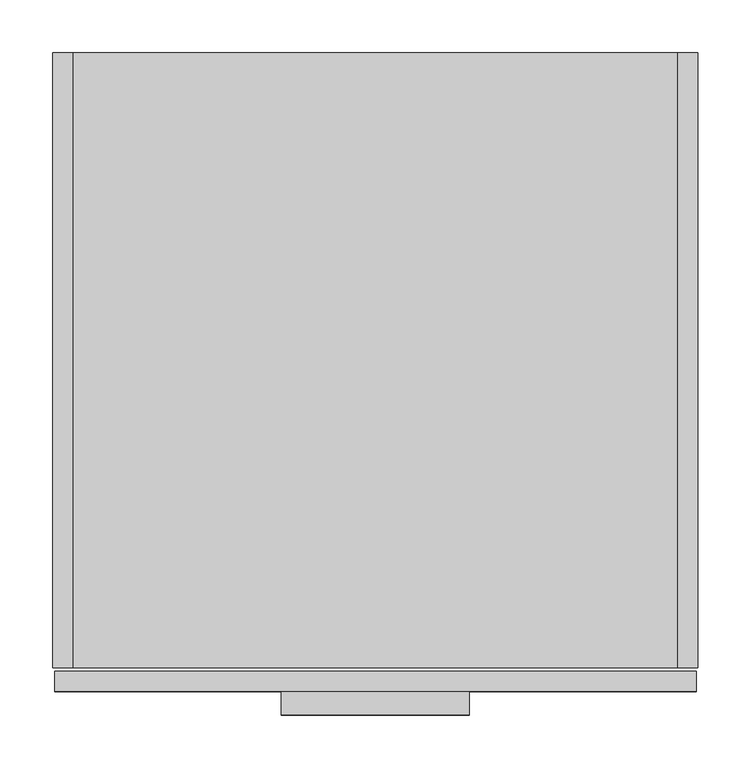
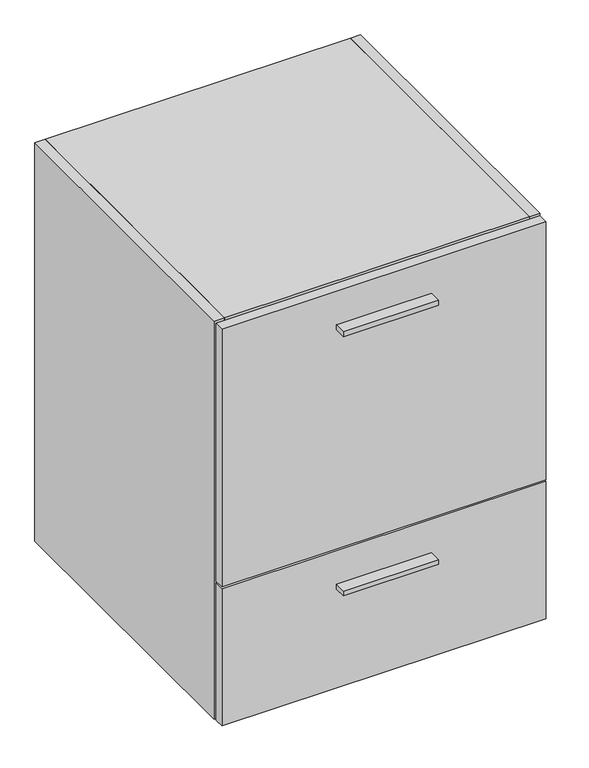
"""IFC4 building model written with IfcOpenShell, lengths in millimetres: furniture geometry."""

from ifc_helpers import new_model, si_unit, frame, origin, place, context, project, spatial, polyline, outline, extrude, source, transform, mapped, element, save


def furniture_1b2f3de9(model_context):
    return source(origin(), model_context, "Body", "SweptSolid", [
        extrude(outline(polyline([(393.7, -625.729), (215.9, -625.729), (215.9, -603.504), (393.7, -603.504), (393.7, -625.729)])), frame((0.0, 0.0, 297.3451), z_axis=(0.0, 0.0, 1.0), x_axis=(1.0, 0.0, 0.0)), (0.0, 0.0, 1.0), 9.525),
        extrude(outline(polyline([(393.7, -625.729), (215.9, -625.729), (215.9, -603.504), (393.7, -603.504), (393.7, -625.729)])), frame((0.0, 0.0, 809.9425), z_axis=(0.0, 0.0, 1.0), x_axis=(1.0, 0.0, 0.0)), (0.0, 0.0, 1.0), 9.525),
        extrude(outline(polyline([(590.296, 0.0), (590.296, -19.304), (19.304, -19.304), (19.304, 0.0), (590.296, 0.0)])), frame((0.0, 0.0, 101.6), z_axis=(0.0, 0.0, 1.0), x_axis=(1.0, 0.0, 0.0)), (0.0, 0.0, 1.0), 768.096),
        extrude(outline(polyline([(590.296, -581.025), (19.304, -581.025), (19.304, -19.304), (590.296, -19.304), (590.296, -581.025)])), frame((0.0, 0.0, 101.6), z_axis=(0.0, 0.0, 1.0), x_axis=(1.0, 0.0, 0.0)), (0.0, 0.0, 1.0), 19.304),
        extrude(outline(polyline([(590.296, -581.025), (19.304, -581.025), (19.304, 0.0), (590.296, 0.0), (590.296, -581.025)])), frame((0.0, 0.0, 869.696), z_axis=(0.0, 0.0, 1.0), x_axis=(1.0, 0.0, 0.0)), (0.0, 0.0, 1.0), 19.304),
        extrude(outline(polyline([(19.304, 0.0), (19.304, -581.025), (0.0, -581.025), (0.0, 0.0), (19.304, 0.0)])), frame((0.0, 0.0, 101.6), z_axis=(0.0, 0.0, 1.0), x_axis=(1.0, 0.0, 0.0)), (0.0, 0.0, 1.0), 787.4),
        extrude(outline(polyline([(590.296, 0.0), (609.6, 0.0), (609.6, -581.025), (590.296, -581.025), (590.296, 0.0)])), frame((0.0, 0.0, 101.6), z_axis=(0.0, 0.0, 1.0), x_axis=(1.0, 0.0, 0.0)), (0.0, 0.0, 1.0), 787.4),
        extrude(outline(polyline([(608.0125, -603.504), (1.5875, -603.504), (1.5875, -584.2), (608.0125, -584.2), (608.0125, -603.504)])), frame((0.0, 0.0, 101.6), z_axis=(0.0, 0.0, 1.0), x_axis=(1.0, 0.0, 0.0)), (0.0, 0.0, 1.0), 271.6276),
        extrude(outline(polyline([(608.0125, -603.504), (1.5875, -603.504), (1.5875, -584.2), (608.0125, -584.2), (608.0125, -603.504)])), frame((0.0, 0.0, 376.4026), z_axis=(0.0, 0.0, 1.0), x_axis=(1.0, 0.0, 0.0)), (0.0, 0.0, 1.0), 509.4224),
    ])


if __name__ == "__main__":
    model = new_model("IFC4")
    model_context = context("Model", 3, world=origin())
    ifc_project = project(units=[si_unit("LENGTHUNIT", "METRE", prefix="MILLI")], contexts=[model_context])
    site = spatial("IfcSite", under=ifc_project)
    building = spatial("IfcBuilding", under=site)
    placement = place(None, origin())
    furniture_shape = furniture_1b2f3de9(model_context)
    element("IfcFurniture", 1, at=placement, inside=building, context=model_context, shape_type="MappedRepresentation", body=[
        mapped(furniture_shape, transform((0.0, 0.0, 0.0), x_axis=(1.0, 0.0, 0.0), y_axis=(0.0, 1.0, 0.0), z_axis=(0.0, 0.0, 1.0))),
    ])
    save(model, "model.ifc")
